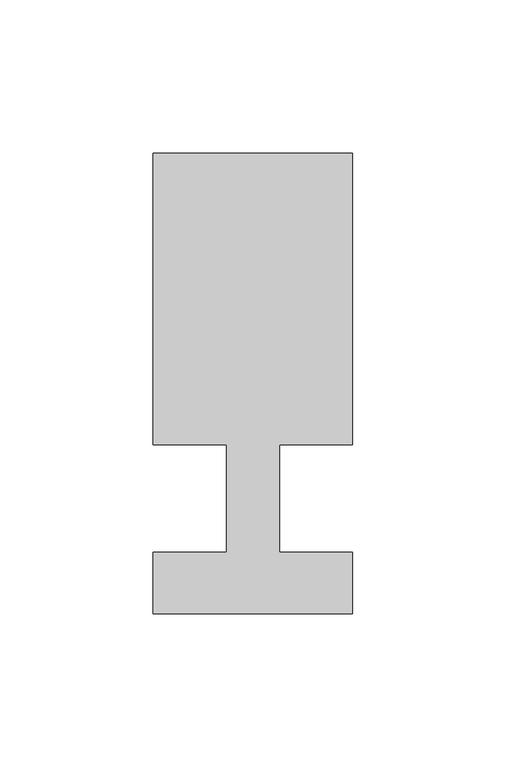
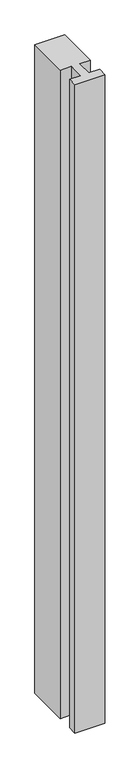
"""IFC4 building model written with IfcOpenShell, lengths in millimetres: member geometry."""

from ifc_helpers import new_model, si_unit, frame, origin, place, context, project, spatial, polyline, outline, extrude, source, transform, mapped, element, save


def member_be4ea1a5(model_context):
    return source(origin(), model_context, "Body", "SweptSolid", [
        extrude(outline(polyline([(-65.0, -37.0), (-65.0, -17.0), (-41.1875, -17.0), (-41.1875, 18.0), (-65.0, 18.0), (-65.0, 113.0), (0.0, 113.0), (0.0, 18.0), (-23.8125, 18.0), (-23.8125, -17.0), (0.0, -17.0), (0.0, -37.0), (-65.0, -37.0)])), frame((0.0, 0.0, -1485.0), z_axis=(0.0, 0.0, 1.0), x_axis=(1.0, 0.0, 0.0)), (0.0, 0.0, 1.0), 1485.0),
    ])


if __name__ == "__main__":
    model = new_model("IFC4")
    model_context = context("Model", 3, world=origin())
    ifc_project = project(units=[si_unit("LENGTHUNIT", "METRE", prefix="MILLI")], contexts=[model_context])
    site = spatial("IfcSite", under=ifc_project)
    building = spatial("IfcBuilding", under=site)
    placement = place(None, origin())
    member_shape = member_be4ea1a5(model_context)
    element("IfcMember", 1, at=placement, inside=building, context=model_context, shape_type="MappedRepresentation", body=[
        mapped(member_shape, transform((0.0, 0.0, 0.0), x_axis=(1.0, 0.0, 0.0), y_axis=(0.0, 1.0, 0.0), z_axis=(0.0, 0.0, 1.0))),
    ])
    save(model, "model.ifc")
